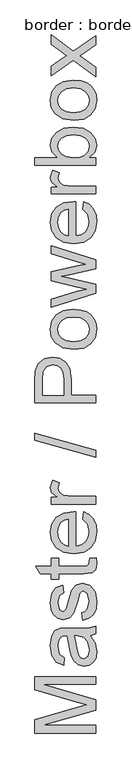
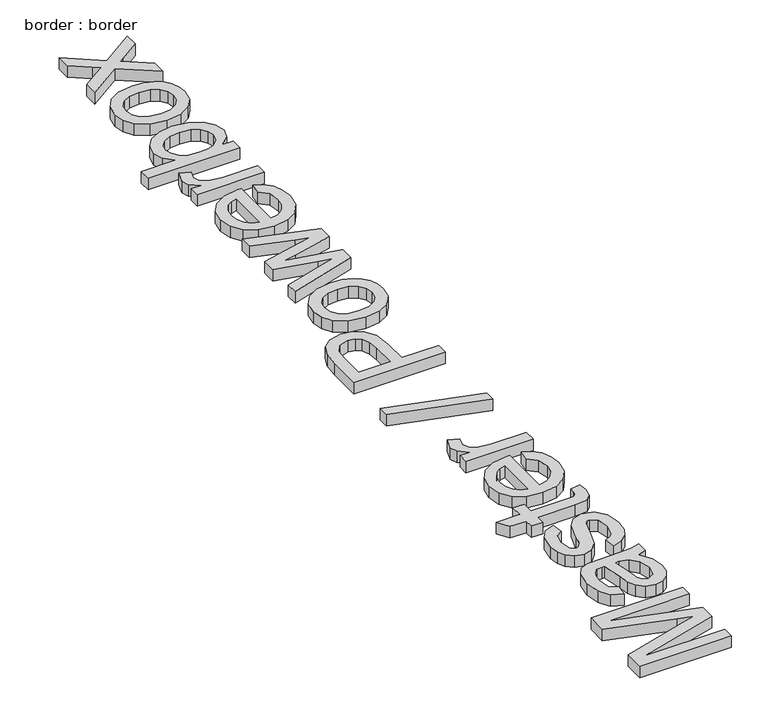
"""IFC4 building model written with IfcOpenShell, lengths in millimetres: proxy geometry, border : border."""

from ifc_helpers import new_model, si_unit, origin, origin_with_axes, place, context, project, spatial, polyline, outline, extrude, source, transform, mapped, element, save


def border_border_0354b8d6(model_context):
    return source(origin(), model_context, "Body", "SweptSolid", [
        extrude(outline(polyline([(-500.0, -103.4862288), (-650.6844652, -103.4862288), (-650.6844652, -71.075825), (-544.4769332, -40.2473138), (-522.2936489, -34.0301081), (-546.3163432, -27.2978676), (-650.6844652, 3.0156088), (-650.6844652, 35.4260126), (-500.0, 35.4260126), (-500.0, 16.5904544), (-631.8489071, 16.5904544), (-500.0, -21.2646029), (-500.0, -46.7956134), (-631.8489071, -84.6506707), (-500.0, -84.6506707), (-500.0, -103.4862288)])), origin_with_axes(), (0.0, 0.0, 1.0), 20.0),
        extrude(outline(polyline([(-514.1266686, 136.6671376), (-501.3611634, 118.4017966), (-497.6455552, 98.2234691), (-499.8804384, 82.4827183), (-506.5850877, 70.8714428), (-516.7662219, 63.7115395), (-529.4305596, 61.324905), (-544.3297804, 64.9301486), (-555.1455111, 74.40311), (-561.3259286, 87.5916795), (-564.15862, 103.8888519), (-570.6333431, 136.556773), (-574.8271978, 136.6671376), (-583.2333014, 135.3703536), (-588.7331372, 131.4800015), (-592.8166274, 122.7795923), (-594.1777908, 110.6578806), (-590.5541531, 91.6015932), (-577.6966774, 82.514908), (-580.0511222, 63.6793498), (-598.4452219, 71.827936), (-609.2241644, 88.235473), (-613.0133489, 113.0859018), (-609.6656228, 135.9129796), (-601.2595192, 148.8072435), (-588.4756198, 154.5829908), (-571.9945065, 155.5026958), (-548.5604234, 155.5026958), (-515.8373199, 156.459189), (-500.0, 160.2115853), (-500.0, 141.3760272), (-514.1266686, 136.6671376)]), holes=[polyline([(-551.7977849, 136.6671376), (-546.0220376, 106.2800848), (-542.968617, 90.074883), (-538.0022101, 82.7356371), (-530.7549348, 80.1604632), (-520.5646035, 85.7706636), (-516.4811134, 102.2333829), (-520.9876678, 121.2896702), (-531.895369, 133.5769289), (-546.463496, 136.556773), (-551.7977849, 136.6671376)])]), origin_with_axes(), (0.0, 0.0, 1.0), 20.0),
        extrude(outline(polyline([(-532.9622268, 174.3382539), (-535.3166715, 193.1738121), (-527.2600558, 196.1444592), (-521.3371557, 201.8926154), (-516.4811134, 221.8686077), (-520.9324855, 241.0720479), (-531.3803342, 247.3260418), (-536.1811942, 245.7533463), (-539.8416201, 241.0352597), (-545.2126972, 221.6478785), (-554.4281412, 193.2841767), (-565.1886895, 180.9049476), (-580.3822159, 176.6926987), (-594.4169141, 180.0772131), (-605.1406742, 189.3110512), (-610.7140864, 201.2856101), (-613.0133489, 217.490812), (-609.3161349, 240.4098603), (-599.3097446, 254.9779873), (-582.4055669, 261.4527104), (-580.0511222, 242.6171523), (-590.4437885, 235.5354238), (-594.1777908, 218.96234), (-590.6093354, 200.9361222), (-582.2952023, 195.5282569), (-576.8137606, 197.772337), (-572.656694, 204.7988831), (-568.6467803, 221.0224791), (-559.7808242, 248.6688111), (-549.7376457, 261.5078927), (-533.366897, 266.1615999), (-515.3406792, 260.6985523), (-502.2624743, 244.9348088), (-497.6455552, 221.6110903), (-499.8712413, 202.6191823), (-506.5482995, 188.7592282), (-517.6031535, 179.506996), (-532.9622268, 174.3382539)])), origin_with_axes(), (0.0, 0.0, 1.0), 20.0),
        extrude(outline(polyline([(-515.7085612, 327.3771639), (-499.448177, 329.7316087), (-497.6455552, 315.6417283), (-500.7725522, 299.8595907), (-508.9763207, 291.986916), (-530.3502646, 289.7060476), (-591.823346, 289.7060476), (-591.823346, 275.579379), (-610.6589041, 275.579379), (-610.6589041, 289.7060476), (-637.551078, 289.7060476), (-648.6243261, 308.5416058), (-610.6589041, 308.5416058), (-610.6589041, 327.3771639), (-591.823346, 327.3771639), (-591.823346, 308.5416058), (-530.9020876, 308.5416058), (-521.1900029, 309.5348872), (-517.7503063, 312.7538546), (-516.4811134, 319.1733954), (-515.7085612, 327.3771639)])), origin_with_axes(), (0.0, 0.0, 1.0), 20.0),
        extrude(outline(polyline([(-532.9622268, 423.6886703), (-530.607782, 442.1563464), (-516.6926455, 435.5022808), (-506.2907821, 424.8842868), (-499.806862, 410.5414875), (-497.6455552, 392.7130063), (-501.374959, 370.6124954), (-512.5631701, 353.6071502), (-530.4836218, 342.7638284), (-554.4097471, 339.1493878), (-579.1406142, 342.8006166), (-597.6358815, 353.754303), (-609.1689821, 370.529722), (-613.0133489, 391.6461485), (-609.1781791, 412.104986), (-597.6726697, 428.4527421), (-579.2141906, 439.1719038), (-554.5201117, 442.7449576), (-549.4433402, 442.634593), (-549.4433402, 357.9849459), (-535.3442627, 361.2453001), (-524.9791875, 368.8190707), (-518.6056319, 379.7497645), (-516.4811134, 393.0808883), (-520.4174507, 411.5485644), (-532.9622268, 423.6886703)]), holes=[polyline([(-568.2788983, 357.9849459), (-568.2788983, 423.9093995), (-578.2301063, 421.3618167), (-585.3486229, 416.3678186), (-591.9704988, 405.386541), (-594.1777908, 391.5725721), (-592.4165557, 378.8760447), (-587.1328506, 368.3776123), (-578.8968924, 361.0797532), (-568.2788983, 357.9849459)])]), origin_with_axes(), (0.0, 0.0, 1.0), 20.0),
        extrude(outline(polyline([(-500.0, 461.5805158), (-610.6589041, 461.5805158), (-610.6589041, 478.0616292), (-594.2881554, 478.0616292), (-609.3713172, 489.7602766), (-613.0133489, 501.5325005), (-607.2008134, 520.441635), (-590.3150298, 514.1508529), (-594.1777908, 500.9071011), (-590.4621826, 490.2569173), (-580.1614867, 483.4694945), (-558.1621434, 480.4160739), (-500.0, 480.4160739), (-500.0, 461.5805158)])), origin_with_axes(), (0.0, 0.0, 1.0), 20.0),
        extrude(outline(polyline([(-500.0, 576.9483095), (-650.6844652, 619.3283153), (-650.6844652, 636.3244635), (-500.0, 593.9444576), (-500.0, 576.9483095)])), origin_with_axes(), (0.0, 0.0, 1.0), 20.0),
        extrude(outline(polyline([(-500.0, 711.1516613), (-650.6844652, 711.1516613), (-650.6844652, 766.9961482), (-649.2497254, 789.5105263), (-642.2047852, 807.8126555), (-627.6366582, 819.6768499), (-607.0904488, 824.1650102), (-589.3309455, 821.1345823), (-574.5328922, 812.0432985), (-564.5448961, 795.0425518), (-561.215564, 768.2837352), (-561.215564, 729.9872195), (-500.0, 729.9872195), (-500.0, 711.1516613)]), holes=[polyline([(-580.0511222, 729.9872195), (-580.0511222, 769.3873811), (-581.7801675, 786.0892237), (-586.9673037, 797.1256836), (-595.2906338, 803.27851), (-606.4282612, 805.3294521), (-622.0264578, 800.4918038), (-630.5613201, 787.7814809), (-631.8489071, 768.9459228), (-631.8489071, 729.9872195), (-580.0511222, 729.9872195)])]), origin_with_axes(), (0.0, 0.0, 1.0), 20.0),
        extrude(outline(polyline([(-555.3294521, 843.0005684), (-582.0100938, 847.0748615), (-600.7628785, 859.2977408), (-609.9507313, 874.3992967), (-613.0133489, 892.4806967), (-609.2839452, 912.2681495), (-598.095734, 928.0732798), (-580.3316322, 938.4337565), (-556.8745565, 941.8872487), (-537.8458603, 940.3605384), (-523.3605067, 935.7804076), (-512.5125864, 928.2802134), (-504.3961898, 917.9933131), (-499.3332139, 905.7750323), (-497.6455552, 892.4806967), (-501.3611634, 872.4541206), (-512.5079878, 856.6673845), (-530.6445702, 846.4172724), (-555.3294521, 843.0005684)]), holes=[polyline([(-555.3662403, 861.8361265), (-538.3195083, 864.0158274), (-526.174804, 870.5549298), (-518.904536, 880.3957732), (-516.4811134, 892.4806967), (-518.9183316, 904.510438), (-526.2299863, 914.3328872), (-538.535639, 920.8719897), (-555.9548515, 923.0516905), (-572.5049427, 920.8581941), (-584.4841002, 914.2777049), (-591.7543681, 904.4414601), (-594.1777908, 892.4806967), (-591.7635652, 880.3957732), (-584.5208884, 870.5549298), (-572.4037752, 864.0158274), (-555.3662403, 861.8361265)])]), origin_with_axes(), (0.0, 0.0, 1.0), 20.0),
        extrude(outline(polyline([(-500.0, 981.4345632), (-610.6589041, 947.7733606), (-610.6589041, 967.3446828), (-546.095614, 986.4377583), (-523.0294129, 992.1399292), (-545.2494854, 996.8120306), (-610.6589041, 1012.005557), (-610.6589041, 1034.4463587), (-545.4334264, 1049.5663087), (-525.3102813, 1053.7233752), (-546.5370724, 1059.6830635), (-610.6589041, 1078.8129273), (-610.6589041, 1098.4578258), (-500.0, 1064.5391059), (-500.0, 1041.7672104), (-564.8943839, 1027.309448), (-585.1278937, 1023.1155932), (-500.0, 1004.4639761), (-500.0, 981.4345632)])), origin_with_axes(), (0.0, 0.0, 1.0), 20.0),
        extrude(outline(polyline([(-532.9622268, 1188.8832202), (-530.607782, 1207.3508964), (-516.6926455, 1200.6968308), (-506.2907821, 1190.0788367), (-499.806862, 1175.7360374), (-497.6455552, 1157.9075563), (-501.374959, 1135.8070454), (-512.5631701, 1118.8017002), (-530.4836218, 1107.9583784), (-554.4097471, 1104.3439378), (-579.1406142, 1107.9951666), (-597.6358815, 1118.948853), (-609.1689821, 1135.7242719), (-613.0133489, 1156.8406985), (-609.1781791, 1177.2995359), (-597.6726697, 1193.6472921), (-579.2141906, 1204.3664537), (-554.5201117, 1207.9395076), (-549.4433402, 1207.829143), (-549.4433402, 1123.1794959), (-535.3442627, 1126.4398501), (-524.9791875, 1134.0136207), (-518.6056319, 1144.9443144), (-516.4811134, 1158.2754382), (-520.4174507, 1176.7431144), (-532.9622268, 1188.8832202)]), holes=[polyline([(-568.2788983, 1123.1794959), (-568.2788983, 1189.1039494), (-578.2301063, 1186.5563666), (-585.3486229, 1181.5623685), (-591.9704988, 1170.581091), (-594.1777908, 1156.7671221), (-592.4165557, 1144.0705947), (-587.1328506, 1133.5721623), (-578.8968924, 1126.2743032), (-568.2788983, 1123.1794959)])]), origin_with_axes(), (0.0, 0.0, 1.0), 20.0),
        extrude(outline(polyline([(-500.0, 1226.7750657), (-610.6589041, 1226.7750657), (-610.6589041, 1243.2561791), (-594.2881554, 1243.2561791), (-609.3713172, 1254.9548266), (-613.0133489, 1266.7270504), (-607.2008134, 1285.636185), (-590.3150298, 1279.3454029), (-594.1777908, 1266.101651), (-590.4621826, 1255.4514673), (-580.1614867, 1248.6640445), (-558.1621434, 1245.6106239), (-500.0, 1245.6106239), (-500.0, 1226.7750657)])), origin_with_axes(), (0.0, 0.0, 1.0), 20.0),
        extrude(outline(polyline([(-500.0, 1316.243967), (-500.0, 1297.4084088), (-650.6844652, 1297.4084088), (-650.6844652, 1316.243967), (-594.8031902, 1316.243967), (-608.4608092, 1329.4325365), (-613.0133489, 1345.8216794), (-608.9114647, 1364.6940257), (-597.3783641, 1379.3357291), (-579.4441169, 1388.3304439), (-556.9849211, 1391.5861996), (-531.8401867, 1388.2154808), (-513.1333872, 1378.1033245), (-501.5175132, 1363.2638845), (-497.6455552, 1345.7113148), (-502.6395533, 1328.963487), (-517.6215476, 1316.243967), (-500.0, 1316.243967)]), holes=[polyline([(-556.1020043, 1316.243967), (-540.3934431, 1317.531554), (-529.7616534, 1321.3943149), (-519.8012484, 1331.2627494), (-516.4811134, 1344.092634), (-518.9275287, 1354.963547), (-526.2667745, 1364.2525673), (-538.4528655, 1370.6261229), (-555.4398167, 1372.7506414), (-572.6750881, 1370.7134949), (-584.7232235, 1364.6020552), (-591.8141489, 1355.6027419), (-594.1777908, 1344.9019744), (-591.7313755, 1334.0310614), (-584.3921297, 1324.7420411), (-572.4267678, 1318.3684855), (-556.1020043, 1316.243967)])]), origin_with_axes(), (0.0, 0.0, 1.0), 20.0),
        extrude(outline(polyline([(-555.3294521, 1408.067313), (-582.0100938, 1412.1416061), (-600.7628785, 1424.3644854), (-609.9507313, 1439.4660413), (-613.0133489, 1457.5474413), (-609.2839452, 1477.3348941), (-598.095734, 1493.1400244), (-580.3316322, 1503.500501), (-556.8745565, 1506.9539933), (-537.8458603, 1505.427283), (-523.3605067, 1500.8471522), (-512.5125864, 1493.346958), (-504.3961898, 1483.0600577), (-499.3332139, 1470.8417769), (-497.6455552, 1457.5474413), (-501.3611634, 1437.5208652), (-512.5079878, 1421.7341291), (-530.6445702, 1411.484017), (-555.3294521, 1408.067313)]), holes=[polyline([(-555.3662403, 1426.9028711), (-538.3195083, 1429.0825719), (-526.174804, 1435.6216744), (-518.904536, 1445.4625178), (-516.4811134, 1457.5474413), (-518.9183316, 1469.5771826), (-526.2299863, 1479.3996318), (-538.535639, 1485.9387343), (-555.9548515, 1488.1184351), (-572.5049427, 1485.9249387), (-584.4841002, 1479.3444495), (-591.7543681, 1469.5082047), (-594.1777908, 1457.5474413), (-591.7635652, 1445.4625178), (-584.5208884, 1435.6216744), (-572.4037752, 1429.0825719), (-555.3662403, 1426.9028711)])]), origin_with_axes(), (0.0, 0.0, 1.0), 20.0),
        extrude(outline(polyline([(-500.0, 1516.3717724), (-555.6237577, 1556.6180626), (-610.6589041, 1518.7262171), (-610.6589041, 1541.387748), (-584.1714005, 1559.6714832), (-571.6634127, 1568.2063455), (-581.8905321, 1575.6007736), (-610.6589041, 1596.4228945), (-610.6589041, 1619.0844254), (-555.6237577, 1579.2795935), (-500.0, 1617.6128974), (-500.0, 1594.9513665), (-533.4404734, 1571.8851654), (-539.5473145, 1567.6545225), (-500.0, 1539.0333033), (-500.0, 1516.3717724)])), origin_with_axes(), (0.0, 0.0, 1.0), 20.0),
    ])


if __name__ == "__main__":
    model = new_model("IFC4")
    model_context = context("Model", 3, world=origin())
    ifc_project = project(units=[si_unit("LENGTHUNIT", "METRE", prefix="MILLI")], contexts=[model_context])
    site = spatial("IfcSite", under=ifc_project)
    building = spatial("IfcBuilding", under=site)
    placement = place(None, origin())
    border_border_shape = border_border_0354b8d6(model_context)
    element("IfcBuildingElementProxy", 1, Name="border : border", ObjectType="border : border", at=placement, inside=building, context=model_context, shape_type="MappedRepresentation", body=[
        mapped(border_border_shape, transform((0.0, 0.0, 0.0), x_axis=(1.0, 0.0, 0.0), y_axis=(0.0, 1.0, 0.0), z_axis=(0.0, 0.0, 1.0))),
    ])
    save(model, "model.ifc")
